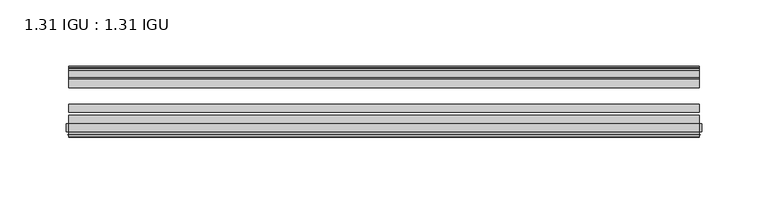
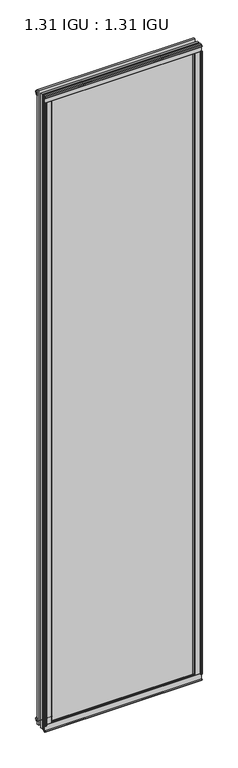
"""IFC4 building model written with IfcOpenShell, lengths in millimetres: plate geometry, 1.31 IGU : 1.31 IGU."""

from ifc_helpers import new_model, si_unit, point, frame, frame_2d, origin, origin_with_axes, place, context, project, spatial, polyline, circle_curve, trimmed, segment, composite_curve, outline, extrude, source, transform, mapped, element, save


def plate_1_31_igu_1_31_igu_bf1ec8e0(model_context):
    return source(origin(), model_context, "Body", "SweptSolid", [
        extrude(outline(polyline([(224.9023568, -11.1943457), (223.5003235, -11.5700195), (223.2702333, -10.7113114), (225.6832333, -10.06475), (228.0962333, -10.7113114), (227.8661432, -11.5700195), (226.4641098, -11.1943457), (227.0802333, -13.49375), (230.7588074, -13.49375), (230.7588074, -18.1284104), (229.3301628, -19.84375), (217.6174921, -19.84375), (219.3332333, -13.49375), (224.2862333, -13.49375), (224.9023568, -11.1943457)])), origin_with_axes(), (0.0, 0.0, 1.0), 1993.9),
        extrude(outline(polyline([(-224.9023568, -11.1943457), (-224.2862333, -13.49375), (-219.3332333, -13.49375), (-217.6174921, -19.84375), (-229.3301628, -19.84375), (-230.7588074, -18.1284104), (-230.7588074, -13.49375), (-227.0802333, -13.49375), (-226.4641098, -11.1943457), (-227.8661432, -11.5700195), (-228.0962333, -10.7113114), (-225.6832333, -10.06475), (-223.2702333, -10.7113114), (-223.5003235, -11.5700195), (-224.9023568, -11.1943457)])), origin_with_axes(), (0.0, 0.0, 1.0), 1993.9),
        extrude(outline(polyline([(-13.49375, -5.7276998), (-11.1943457, -6.3438233), (-11.5700195, -4.9417899), (-10.7113114, -4.7116998), (-10.06475, -7.1246998), (-10.7113114, -9.5376998), (-11.5700195, -9.3076097), (-11.1943457, -7.9055763), (-13.49375, -8.5216998), (-13.49375, -12.2002739), (-18.1284104, -12.2002739), (-19.84375, -10.7716292), (-19.84375, 0.9410414), (-13.49375, -0.7746998), (-13.49375, -5.7276998)])), frame((-237.5958333, 0.0, 0.0), z_axis=(1.0, 0.0, 0.0), x_axis=(0.0, 1.0, 0.0)), (0.0, 0.0, 1.0), 475.1916667),
        extrude(outline(composite_curve([segment(polyline([(-55.9719113, 2.457708), (-53.16855, 3.0868452), (-53.16855, -20.9097918), (-59.51855, -20.9097918), (-59.51855, -18.6868471), (-62.0391488, -18.0752025), (-61.5965021, -19.0933159), (-61.5965021, -19.98942), (-63.2729251, -17.4063265), (-61.3290281, -15.2058028), (-61.3290281, -16.0360741), (-61.9417436, -16.9618553), (-59.51855, -16.8077164), (-59.51855, 0.6826418)]), True, "CONTINUOUS"), segment(trimmed(circle_curve(frame_2d((-58.24855, 0.6826418)), 1.27), [point((-59.51855, 0.6826418))], [point((-58.6007815, 1.9028193))], False, "CARTESIAN"), True, "CONTINUOUS"), segment(polyline([(-58.6007815, 1.9028193), (-55.9719113, 2.457708)]), True, "CONTINUOUS")], self_intersect=False)), frame((-237.5958333, 0.0, 0.0), z_axis=(1.0, 0.0, 0.0), x_axis=(0.0, 1.0, 0.0)), (0.0, 0.0, 1.0), 475.1916667),
        extrude(outline(polyline([(-13.49375, 1999.6276998), (-13.49375, 1994.6746998), (-19.84375, 1992.9589586), (-19.84375, 2004.6716292), (-18.1284104, 2006.1002739), (-13.49375, 2006.1002739), (-13.49375, 2002.4216998), (-11.1943457, 2001.8055763), (-11.5700195, 2003.2076097), (-10.7113114, 2003.4376998), (-10.06475, 2001.0246998), (-10.7113114, 1998.6116998), (-11.5700195, 1998.8417899), (-11.1943457, 2000.2438233), (-13.49375, 1999.6276998)])), frame((-237.5958333, 0.0, 0.0), z_axis=(1.0, 0.0, 0.0), x_axis=(0.0, 1.0, 0.0)), (0.0, 0.0, 1.0), 475.1916667),
        extrude(outline(composite_curve([segment(polyline([(-55.9719113, 1991.442292), (-58.6007815, 1991.9971807)]), True, "CONTINUOUS"), segment(trimmed(circle_curve(frame_2d((-58.24855, 1993.2173582)), 1.27), [point((-58.6007815, 1991.9971807))], [point((-59.51855, 1993.2173582))], False, "CARTESIAN"), True, "CONTINUOUS"), segment(polyline([(-59.51855, 1993.2173582), (-59.51855, 2010.7077164), (-61.9417436, 2010.8618553), (-61.3290281, 2009.9360741), (-61.3290281, 2009.1058028), (-63.2729251, 2011.3063265), (-61.5965021, 2013.88942), (-61.5965021, 2012.9933159), (-62.0391488, 2011.9752025), (-59.51855, 2012.5868471), (-59.51855, 2014.8097918), (-53.16855, 2014.8097918), (-53.16855, 1990.8131548), (-55.9719113, 1991.442292)]), True, "CONTINUOUS")], self_intersect=False)), frame((-237.5958333, 0.0, 0.0), z_axis=(1.0, 0.0, 0.0), x_axis=(0.0, 1.0, 0.0)), (0.0, 0.0, 1.0), 475.1916667),
        extrude(outline(composite_curve([segment(polyline([(-235.96486, -63.2729251), (-238.5479535, -61.5965021), (-237.6518494, -61.5965021), (-236.633736, -62.0391488), (-237.2453806, -59.51855), (-239.4683253, -59.51855), (-239.4683253, -53.16855), (-215.4716884, -53.16855), (-216.1008256, -55.9719113), (-216.6557143, -58.6007815)]), True, "CONTINUOUS"), segment(trimmed(circle_curve(frame_2d((-217.8758917, -58.24855)), 1.27), [point((-216.6557143, -58.6007815))], [point((-217.8758917, -59.51855))], False, "CARTESIAN"), True, "CONTINUOUS"), segment(polyline([(-217.8758917, -59.51855), (-235.36625, -59.51855), (-235.5203888, -61.9417436), (-234.5946076, -61.3290281), (-233.7830796, -61.3290281), (-235.96486, -63.2729251)]), True, "CONTINUOUS")], self_intersect=False)), origin_with_axes(), (0.0, 0.0, 1.0), 1993.9),
        extrude(outline(composite_curve([segment(polyline([(235.96486, -63.2729251), (233.7830796, -61.3290281), (234.5946076, -61.3290281), (235.5203888, -61.9417436), (235.36625, -59.51855), (217.8758917, -59.51855)]), True, "CONTINUOUS"), segment(trimmed(circle_curve(frame_2d((217.8758917, -58.24855)), 1.27), [point((217.8758917, -59.51855))], [point((216.6557143, -58.6007815))], False, "CARTESIAN"), True, "CONTINUOUS"), segment(polyline([(216.6557143, -58.6007815), (216.1008256, -55.9719113), (215.4716884, -53.16855), (239.4683253, -53.16855), (239.4683253, -59.51855), (237.2453806, -59.51855), (236.633736, -62.0391488), (237.6518494, -61.5965021), (238.5479535, -61.5965021), (235.96486, -63.2729251)]), True, "CONTINUOUS")], self_intersect=False)), origin_with_axes(), (0.0, 0.0, 1.0), 1993.9),
        extrude(outline(polyline([(237.5958333, -19.84375), (237.5958333, -26.14295), (-237.5958333, -26.14295), (-237.5958333, -19.84375), (237.5958333, -19.84375)])), frame((0.0, 0.0, -19.05), z_axis=(0.0, 0.0, 1.0), x_axis=(1.0, 0.0, 0.0)), (0.0, 0.0, 1.0), 2032.0),
        extrude(outline(polyline([(-237.5958333, -44.83735), (-237.5958333, -38.53815), (237.5958333, -38.53815), (237.5958333, -44.83735), (-237.5958333, -44.83735)])), frame((0.0, 0.0, -19.05), z_axis=(0.0, 0.0, 1.0), x_axis=(1.0, 0.0, 0.0)), (0.0, 0.0, 1.0), 2032.0),
        extrude(outline(polyline([(-237.5958333, -53.16855), (-237.5958333, -46.86935), (237.5958333, -46.86935), (237.5958333, -53.16855), (-237.5958333, -53.16855)])), frame((0.0, 0.0, -19.05), z_axis=(0.0, 0.0, 1.0), x_axis=(1.0, 0.0, 0.0)), (0.0, 0.0, 1.0), 2032.0),
    ])


if __name__ == "__main__":
    model = new_model("IFC4")
    model_context = context("Model", 3, world=origin())
    ifc_project = project(units=[si_unit("LENGTHUNIT", "METRE", prefix="MILLI")], contexts=[model_context])
    site = spatial("IfcSite", under=ifc_project)
    building = spatial("IfcBuilding", under=site)
    placement = place(None, origin())
    plate_1_31_igu_1_31_igu_shape = plate_1_31_igu_1_31_igu_bf1ec8e0(model_context)
    element("IfcPlate", 1, ObjectType="1.31 IGU : 1.31 IGU", at=placement, inside=building, context=model_context, shape_type="MappedRepresentation", body=[
        mapped(plate_1_31_igu_1_31_igu_shape, transform((0.0, 0.0, 0.0), x_axis=(1.0, 0.0, 0.0), y_axis=(0.0, 1.0, 0.0), z_axis=(0.0, 0.0, 1.0))),
    ])
    save(model, "model.ifc")
